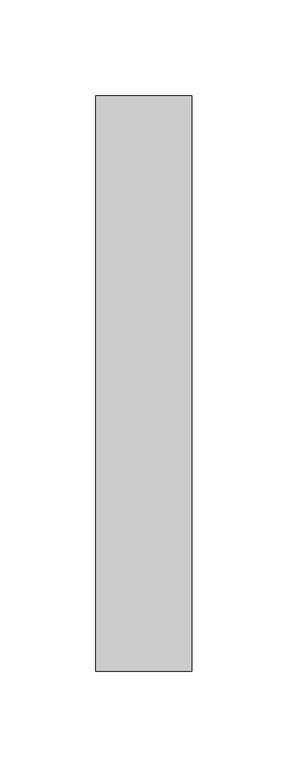
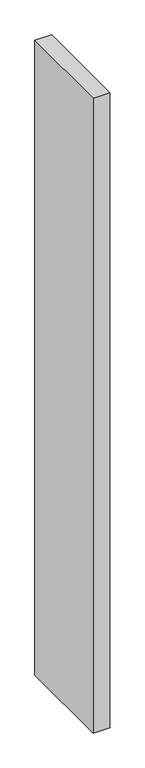
"""IFC4 building model written with IfcOpenShell, lengths in millimetres: member geometry."""

import ifcopenshell
import ifcopenshell.guid

model = None  # the IFC model being written
_history = None  # IfcOwnerHistory: only IFC2X3 demands one
_inside = {}  # id of a spatial element -> (the spatial element, [elements in it])
_under = {}  # id of a project, library or spatial element -> (it, [spatial elements below it])
_declared = {}  # id of a project -> (the project, [libraries it declares])
_typed = {}  # id of a type object -> (the type object, [elements of that type])
_made_of = {}  # id of a material, layer set ... -> (it, [elements and type objects made of it])


def new_model(schema):
    """Start an empty IFC model of exactly this schema.

    Asked for "IFC4X3", IfcOpenShell would pick the latest addendum, in which some entities
    have other attributes; the version numbers below select the first issue.
    IFC2X3 requires an IfcOwnerHistory on every rooted entity: one is made here for all.
    """
    global model, _history
    if schema == "IFC4X3":
        model = ifcopenshell.file(schema_version=(4, 3, 0, 0))
    else:
        model = ifcopenshell.file(schema=schema)
    _inside.clear()
    _under.clear()
    _declared.clear()
    _typed.clear()
    _made_of.clear()
    _history = None
    if model.schema == "IFC2X3":
        org = make("IfcOrganization", Name="unknown")
        user = make(
            "IfcPersonAndOrganization",
            ThePerson=make("IfcPerson", FamilyName="unknown"),
            TheOrganization=org,
        )
        app = make(
            "IfcApplication",
            ApplicationDeveloper=org,
            Version="unknown",
            ApplicationFullName="unknown",
            ApplicationIdentifier="unknown",
        )
        _history = make(
            "IfcOwnerHistory",
            OwningUser=user,
            OwningApplication=app,
            ChangeAction="ADDED",
            CreationDate=0,
        )
    return model


def make(cls, **values):
    """One entity of the class cls with the attributes given. An attribute that is None is left unset."""
    return model.create_entity(
        cls, **{name: value for name, value in values.items() if value is not None}
    )


def rooted(cls, **values):
    """An entity with a GlobalId (a new one), such as an element, a storey or a relation."""
    return make(cls, GlobalId=ifcopenshell.guid.new(), OwnerHistory=_history, **values)


def si_unit(unit_type, name, prefix=None):
    """IfcSIUnit, for example si_unit("LENGTHUNIT", "METRE", prefix="MILLI")."""
    return make("IfcSIUnit", UnitType=unit_type, Prefix=prefix, Name=name)


def assignment(units):
    """IfcUnitAssignment: the units of a project."""
    return None if units is None else make("IfcUnitAssignment", Units=units)


def point(xyz):
    """IfcCartesianPoint."""
    return None if xyz is None else make("IfcCartesianPoint", Coordinates=xyz)


def direction(xyz):
    """IfcDirection."""
    return None if xyz is None else make("IfcDirection", DirectionRatios=xyz)


def frame(location, z_axis=None, x_axis=None):
    """IfcAxis2Placement3D, a coordinate frame: its origin and axes. An axis left out is left unset."""
    return make(
        "IfcAxis2Placement3D",
        Location=point(location),
        Axis=direction(z_axis),
        RefDirection=direction(x_axis),
    )


def origin():
    """The frame at (0, 0, 0) with its axes left unset."""
    return frame((0.0, 0.0, 0.0))


def place(relative_to, where):
    """IfcLocalPlacement: puts the frame where relative to a parent placement (None: the world)."""
    return make(
        "IfcLocalPlacement", PlacementRelTo=relative_to, RelativePlacement=where
    )


def context(
    kind, dimensions, precision=None, world=None, true_north=None, identifier=None
):
    """IfcGeometricRepresentationContext, for example the 3D "Model" context."""
    return make(
        "IfcGeometricRepresentationContext",
        ContextIdentifier=identifier,
        ContextType=kind,
        CoordinateSpaceDimension=dimensions,
        Precision=precision,
        WorldCoordinateSystem=world,
        TrueNorth=true_north,
    )


def project(units=None, contexts=None):
    """IfcProject with its units and contexts."""
    return rooted(
        "IfcProject",
        Name="project",
        RepresentationContexts=contexts,
        UnitsInContext=assignment(units),
    )


def spatial(cls, under=None, at=None, **own):
    """A site, building, storey or space (cls), placed at a placement, below another one or the project."""
    s = rooted(cls, ObjectPlacement=at, **own)
    if under is not None:
        _under.setdefault(under.id(), (under, []))[1].append(s)
    return s


def polyline(points):
    """IfcPolyline through the points."""
    return make("IfcPolyline", Points=[point(p) for p in points])


def outline(outer, holes=None, kind="AREA"):
    """IfcArbitraryClosedProfileDef: a profile drawn as a closed curve; with holes, ...WithVoids."""
    if holes is None:
        return make("IfcArbitraryClosedProfileDef", ProfileType=kind, OuterCurve=outer)
    return make(
        "IfcArbitraryProfileDefWithVoids",
        ProfileType=kind,
        OuterCurve=outer,
        InnerCurves=holes,
    )


def extrude(swept, where, along, depth):
    """IfcExtrudedAreaSolid: the profile swept, set in the frame where, extruded along a direction by depth."""
    return make(
        "IfcExtrudedAreaSolid",
        SweptArea=swept,
        Position=where,
        ExtrudedDirection=direction(along),
        Depth=depth,
    )


def shape(context_of_items, identifier, shape_type, items):
    """IfcShapeRepresentation: the items that make up one representation, for example the "Body"."""
    return make(
        "IfcShapeRepresentation",
        ContextOfItems=context_of_items,
        RepresentationIdentifier=identifier,
        RepresentationType=shape_type,
        Items=items,
    )


def source(mapping_origin, context_of_items, identifier, shape_type, items):
    """IfcRepresentationMap: a shape defined once, which mapped items show again and again."""
    return make(
        "IfcRepresentationMap",
        MappingOrigin=mapping_origin,
        MappedRepresentation=shape(context_of_items, identifier, shape_type, items),
    )


def transform(
    local_origin,
    x_axis=None,
    y_axis=None,
    z_axis=None,
    scale=None,
    scale2=None,
    scale3=None,
    uniform=True,
):
    """IfcCartesianTransformationOperator3D, or its non-uniform kind. x_axis, y_axis, z_axis: its Axis1, 2, 3."""
    if uniform:
        return make(
            "IfcCartesianTransformationOperator3D",
            Axis1=direction(x_axis),
            Axis2=direction(y_axis),
            LocalOrigin=point(local_origin),
            Scale=scale,
            Axis3=direction(z_axis),
        )
    return make(
        "IfcCartesianTransformationOperator3DnonUniform",
        Axis1=direction(x_axis),
        Axis2=direction(y_axis),
        LocalOrigin=point(local_origin),
        Scale=scale,
        Axis3=direction(z_axis),
        Scale2=scale2,
        Scale3=scale3,
    )


def mapped(mapping_source, mapping_target):
    """IfcMappedItem: shows the shape of a source again, moved by a transform."""
    return make(
        "IfcMappedItem", MappingSource=mapping_source, MappingTarget=mapping_target
    )


def made_of(thing, what):
    """Note that an element or type object is made of a material, layer set ...; save() writes the relation."""
    if what is not None:
        _made_of.setdefault(what.id(), (what, []))[1].append(thing)
    return thing


def element(
    cls,
    number,
    at=None,
    inside=None,
    cuts=None,
    type_object=None,
    material=None,
    context=None,
    identifier="Body",
    shape_type=None,
    held_by="IfcProductDefinitionShape",
    body=None,
    shapes=None,
    **own,
):
    """One element of the class cls, such as IfcWall. Its Tag is "e" and its number.

    at: its placement. inside: the storey or other place that contains it. cuts: it is an
    opening in that element (IfcRelVoidsElement). A single representation is given by context,
    identifier, shape_type and body (its items); several are given by shapes. held_by: the class
    of the entity that holds the representations. save() writes the other relations.
    """
    e = rooted(cls, Tag="e%d" % number, ObjectPlacement=at, **own)
    if body is not None:
        shapes = [shape(context, identifier, shape_type, body)]
    if shapes is not None:
        e.Representation = make(held_by, Representations=shapes)
    if inside is not None:
        _inside.setdefault(inside.id(), (inside, []))[1].append(e)
    if cuts is not None:
        rooted(
            "IfcRelVoidsElement", RelatingBuildingElement=cuts, RelatedOpeningElement=e
        )
    if type_object is not None:
        _typed.setdefault(type_object.id(), (type_object, []))[1].append(e)
    return made_of(e, material)


def aggregate(whole, parts):
    """IfcRelAggregates: a whole, such as a stair, and the parts it consists of."""
    return rooted("IfcRelAggregates", RelatingObject=whole, RelatedObjects=parts)


def save(model, path):
    """Write the relations noted so far, then the file.

    IfcRelAggregates (storeys below a building ...), IfcRelContainedInSpatialStructure (elements
    in a storey), IfcRelDefinesByType, IfcRelAssociatesMaterial and IfcRelDeclares: one each for
    every whole, place, type object, material and project.
    """
    for whole, parts in _under.values():
        aggregate(whole, parts)
    for where, things in _inside.values():
        rooted(
            "IfcRelContainedInSpatialStructure",
            RelatedElements=things,
            RelatingStructure=where,
        )
    for kind, things in _typed.values():
        rooted("IfcRelDefinesByType", RelatedObjects=things, RelatingType=kind)
    for what, things in _made_of.values():
        rooted("IfcRelAssociatesMaterial", RelatedObjects=things, RelatingMaterial=what)
    for by, libraries in _declared.values():
        rooted("IfcRelDeclares", RelatingContext=by, RelatedDefinitions=libraries)
    model.write(path)


def member_e66d099d(model_context):
    return source(origin(), model_context, "Body", "SweptSolid", [
        extrude(outline(polyline([(-50.0, 279.0), (0.0, 279.0), (0.0, -21.0), (-50.0, -21.0), (-50.0, 279.0)])), frame((0.0, 0.0, -2000.0), z_axis=(0.0, 0.0, 1.0), x_axis=(1.0, 0.0, 0.0)), (0.0, 0.0, 1.0), 2000.0),
    ])


if __name__ == "__main__":
    model = new_model("IFC4")
    model_context = context("Model", 3, world=origin())
    ifc_project = project(units=[si_unit("LENGTHUNIT", "METRE", prefix="MILLI")], contexts=[model_context])
    site = spatial("IfcSite", under=ifc_project)
    building = spatial("IfcBuilding", under=site)
    placement = place(None, origin())
    member_shape = member_e66d099d(model_context)
    element("IfcMember", 1, at=placement, inside=building, context=model_context, shape_type="MappedRepresentation", body=[
        mapped(member_shape, transform((0.0, 0.0, 0.0), x_axis=(1.0, 0.0, 0.0), y_axis=(0.0, 1.0, 0.0), z_axis=(0.0, 0.0, 1.0))),
    ])
    save(model, "model.ifc")
